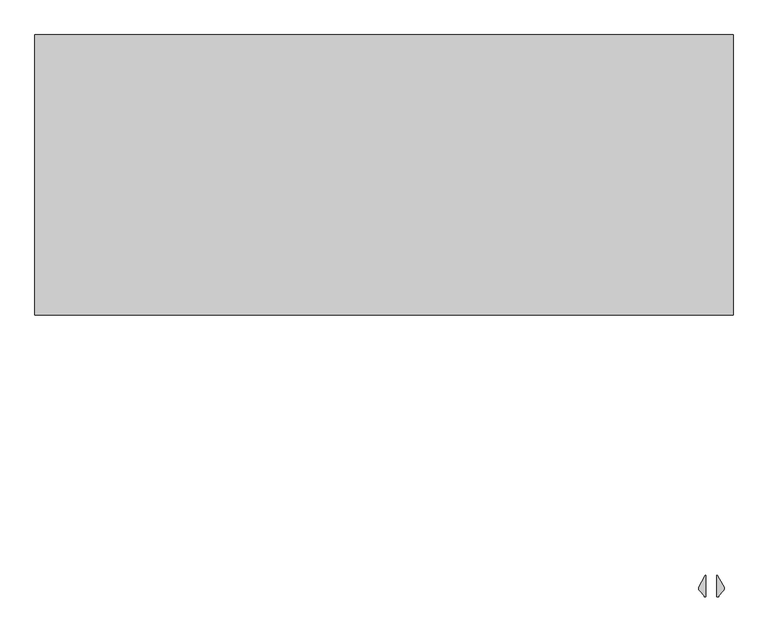
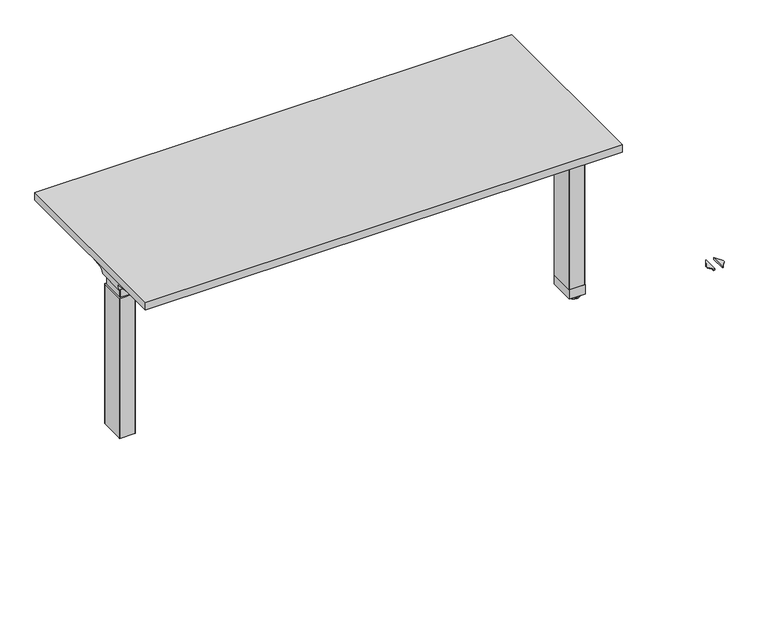
"""IFC4 building model written with IfcOpenShell, lengths in millimetres: furniture geometry."""

from ifc_helpers import new_model, si_unit, point, frame, frame_2d, origin, place, context, project, spatial, polyline, circle_curve, ellipse_curve, trimmed, segment, composite_curve, outline, extrude, source, transform, mapped, element, save
from ifc_brep_helpers import plane_surface, cylinder_surface, revolved_surface, advanced_brep


def furniture_240d868d(model_context):
    return source(origin(), model_context, "Body", "SolidModel", [
        advanced_brep(
        [(-565.7122138, 635.7959426, 645.6121733), (-731.4406297, 635.7959426, 645.6121733), (-728.9518591, 638.024396, 642.9648785), (-580.0924181, 638.024396, 642.9648785), (-554.2501644, 635.6497731, 649.4516191), (-554.1075093, 635.572107, 651.4916821), (-551.4619573, 635.496211, 653.4852485), (-551.4619573, 635.1429301, 662.7649054), (-734.0619089, 635.1429301, 662.7649054), (-731.6625278, 635.7869568, 645.8482054), (-551.4619573, 629.6758947, 668.8045076), (-734.9185362, 629.6758947, 668.8045076), (-551.4619573, 595.9162175, 674.0415321), (-673.2570453, 515.1046903, 686.5775507), (-737.4393767, 515.1046903, 686.5775507), (-737.5128152, 511.3286853, 687.0953243), (-678.9480509, 511.3286853, 687.0953243), (-738.1871296, 509.8184289, 691.8495399), (-677.3404665, 512.395324, 694.0296), (-736.4021288, 512.395324, 694.0296), (-737.5128152, 867.2817403, 687.0953243), (-738.1871296, 868.7919968, 691.8495399), (-736.4021288, 866.2151016, 694.0296), (-677.3404665, 866.2151016, 694.0296), (-678.9480509, 867.2817403, 687.0953243), (-737.4393767, 863.5057353, 686.5775507), (-673.2570453, 863.5057353, 686.5775507), (-551.4619573, 748.9345309, 668.8045076), (-734.9185362, 748.9345309, 668.8045076), (-551.4619573, 782.6942081, 674.0415321), (-551.4619573, 743.4674955, 662.7649054), (-734.0619089, 743.4674955, 662.7649054), (-551.4619573, 743.1142146, 653.4852485), (-554.1075093, 743.0383186, 651.4916821), (-554.2501644, 742.9606525, 649.4516191), (-565.7122138, 742.814483, 645.6121733), (-731.4406297, 742.814483, 645.6121733), (-731.6625278, 742.8234688, 645.8482054), (-580.0924181, 740.5860297, 642.9648785), (-728.9518591, 740.5860297, 642.9648785), (-551.4619573, 595.9162175, 694.0296), (-551.4619573, 782.6942081, 694.0296)],
        [
            (0, 1),
            (1, 2),
            (2, 3),
            (3, 0, ellipse_curve(frame((-589.9936465, 558.7582119, 737.1292722), z_axis=(0.0, -0.7650318638532563, -0.6439924279750598), x_axis=(0.0, 0.64399242797506, -0.7650318638532563)), 123.7641411, 94.6835116)),
            (0, 4, ellipse_curve(frame((-589.9936465, 632.3118442, 737.1292722), z_axis=(0.0, -0.9992761066836392, -0.03804290487315863), x_axis=(0.0, 0.038042904873156216, -0.9992761066836392)), 94.752102, 94.6835116)),
            (4, 5),
            (5, 6),
            (6, 7),
            (7, 8),
            (8, 9),
            (9, 1),
            (7, 10, circle_curve(frame((-551.4619573, 628.6843719, 662.4128075), z_axis=(1.0, 0.0, 0.0), x_axis=(0.0, -1.0000000000000004, 0.0)), 6.4681487)),
            (10, 11),
            (11, 8, ellipse_curve(frame((-734.0119691, 628.6843719, 662.4128075), z_axis=(-0.9900906714849659, 0.0, -0.14042956326375675), x_axis=(0.14042956326375614, 0.0, -0.990090671484966)), 6.5328852, 6.4681487)),
            (10, 12),
            (12, 13),
            (13, 14),
            (14, 11),
            (15, 14),
            (13, 16),
            (16, 15),
            (17, 15, ellipse_curve(frame((-737.9730772, 513.3058017, 690.3403755), z_axis=(0.9900906714849659, 0.0, 0.14042956326375675), x_axis=(-0.14042956326375614, 0.0, 0.990090671484966)), 3.8379455, 3.7999141)),
            (16, 18, ellipse_curve(frame((-675.96824, 513.3058017, 690.3403755), z_axis=(-0.5528743936294878, 0.833264606753957, 0.0), x_axis=(-0.8332646067539569, -0.5528743936294878, 0.0)), 6.8730151, 3.7999141)),
            (18, 19),
            (19, 17, ellipse_curve(frame((-739.422811, 513.3058017, 690.3403755), z_axis=(0.7737284588399557, 0.0, -0.6335173809621544), x_axis=(-0.6335173809621537, 0.0, -0.7737284588399559)), 4.9111727, 3.7999141)),
            (20, 21, ellipse_curve(frame((-737.9730772, 865.3046239, 690.3403755), z_axis=(0.9900906714849659, 0.0, 0.14042956326375675), x_axis=(-0.14042956326375614, 0.0, 0.990090671484966)), 3.8379455, 3.7999141)),
            (21, 22, ellipse_curve(frame((-739.422811, 865.3046239, 690.3403755), z_axis=(0.7737284588399557, 0.0, -0.6335173809621544), x_axis=(-0.6335173809621537, 0.0, -0.7737284588399559)), 4.9111727, 3.7999141)),
            (22, 23),
            (23, 24, ellipse_curve(frame((-675.96824, 865.3046239, 690.3403755), z_axis=(-0.5528743936294774, -0.8332646067539636, 0.0), x_axis=(-0.8332646067539635, 0.5528743936294774, 0.0)), 6.8730151, 3.7999141)),
            (24, 20),
            (25, 20),
            (24, 26),
            (26, 25),
            (27, 28),
            (28, 25),
            (26, 29),
            (29, 27),
            (27, 30, circle_curve(frame((-551.4619573, 749.9260537, 662.4128075), z_axis=(1.0, 0.0, 0.0), x_axis=(0.0, -1.0000000000000004, 0.0)), 6.4681487)),
            (30, 31),
            (31, 28, ellipse_curve(frame((-734.0119691, 749.9260537, 662.4128075), z_axis=(-0.9900906714849659, 0.0, -0.14042956326375675), x_axis=(0.14042956326375614, 0.0, -0.990090671484966)), 6.5328852, 6.4681487)),
            (30, 32),
            (32, 33),
            (33, 34),
            (34, 35, ellipse_curve(frame((-589.9936465, 746.2985814, 737.1292722), z_axis=(0.0, 0.9992761066836363, -0.0380429048732354), x_axis=(0.0, 0.0380429048732312, 0.9992761066836363)), 94.752102, 94.6835116)),
            (35, 36),
            (36, 37),
            (37, 31),
            (35, 38, ellipse_curve(frame((-589.9936465, 819.8522137, 737.1292722), z_axis=(0.0, 0.7650318638534731, -0.6439924279748023), x_axis=(0.0, 0.6439924279748023, 0.765031863853473)), 123.7641411, 94.6835116)),
            (38, 39),
            (39, 36),
            (37, 9),
            (17, 21),
            (19, 22),
            (18, 40),
            (40, 41),
            (41, 23),
            (6, 32),
            (29, 41),
            (40, 12),
            (5, 33),
            (4, 34),
            (3, 38),
            (2, 39),
        ],
        [
            plane_surface(frame((-551.4619573, 638.024396, 642.9648785), z_axis=(0.0, -0.7650318638532563, -0.6439924279750598), x_axis=(-1.0, 0.0, 0.0))),
            plane_surface(frame((-551.4619573, 635.7959426, 645.6121733), z_axis=(0.0, -0.9992761066836392, -0.03804290487315863), x_axis=(-1.0, 0.0, 0.0))),
            revolved_surface(polyline([(-551.4619573, 622.2162232, 662.4128075), (-734.9293793154884, 622.2162232, 662.4128075)]), (-551.4619573, 628.6843719, 662.4128075), (1.0000000000000004, 0.0, 0.0)),
            plane_surface(frame((-551.4619573, 629.6758947, 668.8045076), z_axis=(0.0, -0.15329313587140303, -0.988180760030629), x_axis=(-1.0, 0.0, 0.0))),
            plane_surface(frame((-551.4619573, 515.1046903, 686.5775507), z_axis=(0.0, -0.13585085469008154, -0.9907292996979419), x_axis=(-1.0, 0.0, 0.0))),
            cylinder_surface(frame((-551.4619573, 513.3058017, 690.3403755), z_axis=(-1.0000000000000004, 0.0, 0.0), x_axis=(0.0, -1.0000000000000004, 0.0)), 3.7999141),
            cylinder_surface(frame((-551.4619573, 865.3046239, 690.3403755), z_axis=(-1.0000000000000004, 0.0, 0.0), x_axis=(0.0, -1.0000000000000004, 0.0)), 3.7999141),
            plane_surface(frame((-551.4619573, 867.2817403, 687.0953243), z_axis=(0.0, 0.13585085468777755, -0.9907292996982578), x_axis=(-1.0, 0.0, 0.0))),
            plane_surface(frame((-551.4619573, 863.5057353, 686.5775507), z_axis=(0.0, 0.15329313587141108, -0.9881807600306277), x_axis=(-1.0, 0.0, 0.0))),
            revolved_surface(polyline([(-551.4619573, 743.457905, 662.4128075), (-734.9293793154884, 743.457905, 662.4128075)]), (-551.4619573, 749.9260537, 662.4128075), (1.0000000000000004, 0.0, 0.0)),
            plane_surface(frame((-551.4619573, 743.4674955, 662.7649054), z_axis=(0.0, 0.9992761066836363, -0.0380429048732354), x_axis=(-1.0, 0.0, 0.0))),
            plane_surface(frame((-551.4619573, 742.814483, 645.6121733), z_axis=(0.0, 0.7650318638534731, -0.6439924279748023), x_axis=(-1.0, 0.0, 0.0))),
            plane_surface(frame((-731.6625278, 879.8052128, 645.8482054), z_axis=(-0.9900906714849659, 0.0, -0.14042956326375675), x_axis=(0.0, -1.0, 0.0))),
            plane_surface(frame((-738.1871296, 879.8052128, 691.8495399), z_axis=(-0.7737284588399554, 0.0, 0.6335173809621543), x_axis=(0.0, -1.0, 0.0))),
            plane_surface(frame((-736.4021288, 879.8052128, 694.0296), z_axis=(0.0, 0.0, 1.0), x_axis=(0.0, -1.0, 0.0))),
            plane_surface(frame((-551.4619573, 879.8052128, 694.0296), z_axis=(1.0, 0.0, 0.0), x_axis=(0.0, -1.0, 0.0))),
            plane_surface(frame((-551.4619573, 879.8052128, 653.4852485), z_axis=(0.6018150231540726, 0.0, -0.7986355100457675), x_axis=(0.0, -1.0, 0.0))),
            plane_surface(frame((-554.1075093, 879.8052128, 651.4916821), z_axis=(0.9975640502598242, 0.0, -0.069756473744127), x_axis=(0.0, -1.0, 0.0))),
            cylinder_surface(frame((-589.9936465, 879.8052128, 737.1292722), z_axis=(0.0, 1.0000000000000004, 0.0), x_axis=(1.0000000000000004, 0.0, 0.0)), 94.6835116),
            plane_surface(frame((-580.0924181, 879.8052128, 642.9648785), z_axis=(0.0, 0.0, -1.0), x_axis=(0.0, -1.0, 0.0))),
            plane_surface(frame((-728.9518591, 879.8052128, 642.9648785), z_axis=(-0.7285846064222695, 0.0, -0.6849558170309287), x_axis=(0.0, -1.0, 0.0))),
            plane_surface(frame((-551.4619573, 595.9162175, 694.0296), z_axis=(0.5528743936294878, -0.833264606753957, 0.0), x_axis=(0.0, 0.0, -1.0))),
            plane_surface(frame((-697.8228017, 879.8052128, 694.0296), z_axis=(0.5528743936294774, 0.8332646067539636, 0.0), x_axis=(0.0, 0.0, -1.0))),
        ],
        [
            (0, [[1, 2, 3, 4]]),
            (1, [[-1, 5, 6, 7, 8, 9, 10, 11]]),
            (2, [[-9, 12, 13, 14]]),
            (3, [[-13, 15, 16, 17, 18]]),
            (4, [[19, -17, 20, 21]]),
            (5, [[22, -21, 23, 24, 25]]),
            (6, [[26, 27, 28, 29, 30]]),
            (7, [[31, -30, 32, 33]]),
            (8, [[34, 35, -33, 36, 37]]),
            (9, [[-34, 38, 39, 40]]),
            (10, [[-39, 41, 42, 43, 44, 45, 46, 47]]),
            (11, [[-45, 48, 49, 50]]),
            (12, [[51, -10, -14, -18, -19, -22, 52, -26, -31, -35, -40, -47]]),
            (13, [[-52, -25, 53, -27]]),
            (14, [[-53, -24, 54, 55, 56, -28]]),
            (15, [[57, -41, -38, -37, 58, -55, 59, -15, -12, -8]]),
            (16, [[-57, -7, 60, -42]]),
            (17, [[-60, -6, 61, -43]]),
            (18, [[-61, -5, -4, 62, -48, -44]]),
            (19, [[-62, -3, 63, -49]]),
            (20, [[-51, -46, -50, -63, -2, -11]]),
            (21, [[-54, -23, -20, -16, -59]]),
            (22, [[-56, -58, -36, -32, -29]]),
        ],
    ),
        advanced_brep(
        [(856.0773962, 610.6220432, 688.8000894), (856.0773962, 608.8576886, 691.0281511), (856.0773962, 597.8770903, 691.0281511), (856.0773962, 597.1469209, 688.4299085), (856.0773962, 618.573302, 658.8668148), (856.0773962, 635.9741214, 650.2658863), (856.0773962, 742.7619972, 650.2658863), (856.0773962, 760.3897911, 659.3203482), (856.0773962, 781.724499, 689.0912054), (856.0773962, 780.0859362, 691.1472572), (856.0773962, 769.870803, 691.1472572), (856.0773962, 767.999828, 688.8000894), (856.0773962, 768.7410491, 688.2629822), (856.0773962, 770.3112765, 690.2328572), (856.0773962, 779.989889, 690.2328572), (856.0773962, 780.7957777, 689.3650366), (856.0773962, 759.6465384, 659.8529858), (856.0773962, 742.7619972, 651.1804536), (856.0773962, 635.9741214, 651.1802863), (856.0773962, 619.3067728, 659.4129713), (856.0773962, 597.9530501, 688.8758144), (856.0773962, 598.2103186, 690.1137511), (856.0773962, 608.4154038, 690.1137511), (856.0773962, 609.8809409, 688.2630419), (-551.4619573, 610.6220432, 688.8000894), (-551.4619573, 609.8809409, 688.2630419), (-551.4619573, 608.4154038, 690.1137511), (-551.4619573, 598.2103186, 690.1137511), (-551.4619573, 597.9530501, 688.8758144), (-551.4619573, 619.3067728, 659.4129713), (-551.4619573, 635.9741214, 651.1802863), (-551.4619573, 742.7619973, 651.1802863), (-551.4619573, 759.6465384, 659.8529858), (-551.4619573, 780.7957777, 689.3650366), (-551.4619573, 779.989889, 690.2328572), (-551.4619573, 770.3112765, 690.2328572), (-551.4619573, 768.7410491, 688.2629822), (-551.4619573, 767.999828, 688.8000894), (-551.4619573, 769.870803, 691.1472572), (-551.4619573, 780.0859362, 691.1472572), (-551.4619573, 781.724499, 689.0912054), (-551.4619573, 760.3897911, 659.3203482), (-551.4619573, 742.7619972, 650.2660536), (-551.4619573, 635.9741214, 650.2658863), (-551.4619573, 618.573302, 658.8668148), (-551.4619573, 597.1469209, 688.4299085), (-551.4619573, 597.8770903, 691.0281511), (-551.4619573, 608.8576886, 691.0281511)],
        [
            (0, 1),
            (1, 2),
            (2, 3, circle_curve(frame((856.0773962, 599.0946552, 689.2842667), z_axis=(1.0, 0.0, 0.0), x_axis=(0.0, -1.0000000000000004, 0.0)), 2.1268749)),
            (3, 4),
            (4, 5, circle_curve(frame((856.0773962, 635.9741214, 672.1684336), z_axis=(1.0, 0.0, 0.0), x_axis=(0.0, -1.0000000000000004, 0.0)), 21.9025472)),
            (5, 6),
            (6, 7, circle_curve(frame((856.0773962, 742.7619972, 671.952965), z_axis=(1.0, 0.0, 0.0), x_axis=(0.0, -1.0000000000000004, 0.0)), 21.6869114)),
            (7, 8),
            (8, 9, circle_curve(frame((856.0773962, 779.7241493, 689.1779833), z_axis=(1.0, 0.0, 0.0), x_axis=(0.0, -1.0000000000000004, 0.0)), 2.0022311)),
            (9, 10),
            (10, 11),
            (11, 12),
            (12, 13),
            (13, 14),
            (14, 15, circle_curve(frame((856.0773962, 779.7241493, 689.1779833), z_axis=(-1.0, 0.0, 0.0), x_axis=(0.0, -1.0000000000000004, 0.0)), 1.0878311)),
            (15, 16),
            (16, 17, circle_curve(frame((856.0773962, 742.7619972, 671.952965), z_axis=(-1.0, 0.0, 0.0), x_axis=(0.0, -1.0000000000000004, 0.0)), 20.7725114)),
            (17, 18),
            (18, 19, circle_curve(frame((856.0773962, 635.9741214, 672.1684336), z_axis=(-1.0, 0.0, 0.0), x_axis=(0.0, -1.0000000000000004, 0.0)), 20.9881473)),
            (19, 20),
            (20, 21, circle_curve(frame((856.0773962, 599.0946552, 689.2842667), z_axis=(-1.0, 0.0, 0.0), x_axis=(0.0, -1.0000000000000004, 0.0)), 1.2124749)),
            (21, 22),
            (22, 23),
            (23, 0),
            (24, 25),
            (25, 26),
            (26, 27),
            (27, 28, circle_curve(frame((-551.4619573, 599.0946552, 689.2842667), z_axis=(1.0, 0.0, 0.0), x_axis=(0.0, -1.0000000000000004, 0.0)), 1.2124749)),
            (28, 29),
            (29, 30, circle_curve(frame((-551.4619573, 635.9741214, 672.1684336), z_axis=(1.0, 0.0, 0.0), x_axis=(0.0, -1.0000000000000004, 0.0)), 20.9881473)),
            (30, 31),
            (31, 32, circle_curve(frame((-551.4619573, 742.7619972, 671.952965), z_axis=(1.0, 0.0, 0.0), x_axis=(0.0, -1.0000000000000004, 0.0)), 20.7725114)),
            (32, 33),
            (33, 34, circle_curve(frame((-551.4619573, 779.7241493, 689.1779833), z_axis=(1.0, 0.0, 0.0), x_axis=(0.0, -1.0000000000000004, 0.0)), 1.0878311)),
            (34, 35),
            (35, 36),
            (36, 37),
            (37, 38),
            (38, 39),
            (39, 40, circle_curve(frame((-551.4619573, 779.7241493, 689.1779833), z_axis=(-1.0, 0.0, 0.0), x_axis=(0.0, -1.0000000000000004, 0.0)), 2.0022311)),
            (40, 41),
            (41, 42, circle_curve(frame((-551.4619573, 742.7619972, 671.952965), z_axis=(-1.0, 0.0, 0.0), x_axis=(0.0, -1.0000000000000004, 0.0)), 21.6869114)),
            (42, 43),
            (43, 44, circle_curve(frame((-551.4619573, 635.9741214, 672.1684336), z_axis=(-1.0, 0.0, 0.0), x_axis=(0.0, -1.0000000000000004, 0.0)), 21.9025472)),
            (44, 45),
            (45, 46, circle_curve(frame((-551.4619573, 599.0946552, 689.2842667), z_axis=(-1.0, 0.0, 0.0), x_axis=(0.0, -1.0000000000000004, 0.0)), 2.1268749)),
            (46, 47),
            (47, 24),
            (0, 24),
            (47, 1),
            (46, 2),
            (45, 3),
            (44, 4),
            (43, 5),
            (42, 6),
            (41, 7),
            (40, 8),
            (39, 9),
            (38, 10),
            (37, 11),
            (36, 12),
            (35, 13),
            (34, 14),
            (33, 15),
            (32, 16),
            (31, 17),
            (30, 18),
            (29, 19),
            (28, 20),
            (27, 21),
            (26, 22),
            (25, 23),
        ],
        [
            plane_surface(frame((856.0773962, 689.3052128, 694.0296), z_axis=(1.0, 0.0, 0.0), x_axis=(0.0, 0.0, 1.0))),
            plane_surface(frame((-551.4619573, 689.3052128, 694.0296), z_axis=(-1.0, 0.0, 0.0), x_axis=(0.0, 0.0, 1.0))),
            plane_surface(frame((856.0773962, 610.6220432, 688.8000894), z_axis=(0.0, 0.7839649337165056, 0.6208051084703435), x_axis=(-1.0, 0.0, 0.0))),
            plane_surface(frame((856.0773962, 608.8576886, 691.0281511), z_axis=(0.0, 0.0, 1.0), x_axis=(-1.0, 0.0, 0.0))),
            cylinder_surface(frame((856.0773962, 599.0946552, 689.2842667), z_axis=(1.0000000000000004, 0.0, 0.0), x_axis=(0.0, -1.0000000000000004, 0.0)), 2.1268749),
            plane_surface(frame((856.0773962, 597.1469209, 688.4299085), z_axis=(0.0, -0.8096997445281036, -0.5868443777622171), x_axis=(-1.0, 0.0, 0.0))),
            cylinder_surface(frame((856.0773962, 635.9741214, 672.1684336), z_axis=(1.0000000000000004, 0.0, 0.0), x_axis=(0.0, -1.0000000000000004, 0.0)), 21.9025472),
            plane_surface(frame((856.0773962, 635.9741214, 650.2658863), z_axis=(0.0, 0.0, -1.0), x_axis=(-1.0, 0.0, 0.0))),
            cylinder_surface(frame((856.0773962, 742.7619972, 671.952965), z_axis=(1.0000000000000004, 0.0, 0.0), x_axis=(0.0, -1.0000000000000004, 0.0)), 21.6869114),
            plane_surface(frame((856.0773962, 760.3897911, 659.3203482), z_axis=(0.0, 0.8128309997561537, -0.5824995844079307), x_axis=(-1.0, 0.0, 0.0))),
            cylinder_surface(frame((856.0773962, 779.7241493, 689.1779833), z_axis=(1.0000000000000004, 0.0, 0.0), x_axis=(0.0, -1.0000000000000004, 0.0)), 2.0022311),
            plane_surface(frame((856.0773962, 780.0859362, 691.1472572), z_axis=(0.0, 0.0, 1.0), x_axis=(-1.0, 0.0, 0.0))),
            plane_surface(frame((856.0773962, 769.870803, 691.1472572), z_axis=(0.0, -0.781966058723797, 0.6233210112004658), x_axis=(-1.0, 0.0, 0.0))),
            plane_surface(frame((856.0773962, 767.999828, 688.8000894), z_axis=(0.0, -0.5867684336468094, -0.8097547809526473), x_axis=(-1.0, 0.0, 0.0))),
            plane_surface(frame((856.0773962, 768.7410491, 688.2629822), z_axis=(0.0, 0.7819660587239203, -0.623321011200311), x_axis=(-1.0, 0.0, 0.0))),
            plane_surface(frame((856.0773962, 770.3112765, 690.2328572), z_axis=(0.0, 0.0, -1.0), x_axis=(-1.0, 0.0, 0.0))),
            revolved_surface(polyline([(-551.4619573000012, 778.6363182, 689.1779833), (856.0773962, 778.6363182, 689.1779833)]), (856.0773962, 779.7241493, 689.1779833), (-1.0000000000000004, 0.0, 0.0)),
            plane_surface(frame((856.0773962, 780.7957777, 689.3650366), z_axis=(0.0, -0.8128309996716102, 0.5824995845259042), x_axis=(-1.0, 0.0, 0.0))),
            revolved_surface(polyline([(-551.4619573000012, 721.9894858, 671.952965), (856.0773962, 721.9894858, 671.952965)]), (856.0773962, 742.7619972, 671.952965), (-1.0000000000000004, 0.0, 0.0)),
            plane_surface(frame((856.0773962, 742.7619973, 651.1802863), z_axis=(0.0, 0.0, 1.0), x_axis=(-1.0, 0.0, 0.0))),
            revolved_surface(polyline([(-551.4619573000012, 614.9859740999999, 672.1684336), (856.0773962, 614.9859740999999, 672.1684336)]), (856.0773962, 635.9741214, 672.1684336), (-1.0000000000000004, 0.0, 0.0)),
            plane_surface(frame((856.0773962, 619.3067728, 659.4129713), z_axis=(0.0, 0.8096997449536105, 0.5868443771751229), x_axis=(-1.0, 0.0, 0.0))),
            revolved_surface(polyline([(-551.4619573000012, 597.8821803000001, 689.2842667), (856.0773962, 597.8821803000001, 689.2842667)]), (856.0773962, 599.0946552, 689.2842667), (-1.0000000000000004, 0.0, 0.0)),
            plane_surface(frame((856.0773962, 598.2103186, 690.1137511), z_axis=(0.0, 0.0, -1.0), x_axis=(-1.0, 0.0, 0.0))),
            plane_surface(frame((856.0773962, 608.4154038, 690.1137511), z_axis=(0.0, -0.7839649337164977, -0.6208051084703534), x_axis=(-1.0, 0.0, 0.0))),
            plane_surface(frame((856.0773962, 609.8809409, 688.2630419), z_axis=(0.0, 0.5867873637752552, -0.8097410633737715), x_axis=(-1.0, 0.0, 0.0))),
        ],
        [
            (0, [[1, 2, 3, 4, 5, 6, 7, 8, 9, 10, 11, 12, 13, 14, 15, 16, 17, 18, 19, 20, 21, 22, 23, 24]]),
            (1, [[25, 26, 27, 28, 29, 30, 31, 32, 33, 34, 35, 36, 37, 38, 39, 40, 41, 42, 43, 44, 45, 46, 47, 48]]),
            (2, [[-1, 49, -48, 50]]),
            (3, [[-2, -50, -47, 51]]),
            (4, [[-3, -51, -46, 52]]),
            (5, [[-4, -52, -45, 53]]),
            (6, [[-5, -53, -44, 54]]),
            (7, [[-6, -54, -43, 55]]),
            (8, [[-7, -55, -42, 56]]),
            (9, [[-8, -56, -41, 57]]),
            (10, [[-9, -57, -40, 58]]),
            (11, [[-10, -58, -39, 59]]),
            (12, [[-11, -59, -38, 60]]),
            (13, [[-12, -60, -37, 61]]),
            (14, [[-13, -61, -36, 62]]),
            (15, [[-14, -62, -35, 63]]),
            (16, [[-15, -63, -34, 64]]),
            (17, [[-16, -64, -33, 65]]),
            (18, [[-17, -65, -32, 66]]),
            (19, [[-18, -66, -31, 67]]),
            (20, [[-19, -67, -30, 68]]),
            (21, [[-20, -68, -29, 69]]),
            (22, [[-21, -69, -28, 70]]),
            (23, [[-22, -70, -27, 71]]),
            (24, [[-23, -71, -26, 72]]),
            (25, [[-24, -72, -25, -49]]),
        ],
    ),
        advanced_brep(
        [(-675.0283088, 644.5569631, 642.9648785), (-672.2624028, 646.9102017, 642.9648785), (-672.2624028, 731.683827, 642.9648785), (-675.3159671, 734.0332258, 642.9648785), (-718.6299922, 734.0534625, 642.9648785), (-721.6895972, 731.6837192, 642.9648785), (-721.6895972, 646.9101172, 642.9648785), (-718.9236912, 644.5569631, 642.9648785), (-675.0283088, 644.5569631, 606.552), (-718.9236912, 644.5569631, 606.552), (-721.6895972, 646.9101172, 606.552), (-721.6895972, 731.6837192, 606.552), (-718.6360098, 734.0332205, 606.552), (-675.3220078, 734.0534625, 606.552), (-672.2624028, 731.683827, 606.552), (-672.2624028, 646.9102017, 606.552)],
        [
            (0, 1, circle_curve(frame((-675.3300788, 647.7137409, 642.9648785), z_axis=(0.0, 0.0, 1.0), x_axis=(-1.0000000000000004, 0.0, 0.0)), 3.1711688)),
            (1, 2),
            (2, 3, circle_curve(frame((-675.3159671, 730.8741348, 642.9648785), z_axis=(0.0, 0.0, 1.0), x_axis=(-1.0000000000000004, 0.0, 0.0)), 3.1590911)),
            (3, 4),
            (4, 5, circle_curve(frame((-718.6360098, 730.8741348, 642.9648785), z_axis=(0.0, 0.0, 1.0), x_axis=(-1.0000000000000004, 0.0, 0.0)), 3.1590858)),
            (5, 6),
            (6, 7, circle_curve(frame((-718.6219439, 647.7137431, 642.9648785), z_axis=(0.0, 0.0, 1.0), x_axis=(-1.0000000000000004, 0.0, 0.0)), 3.1711687)),
            (7, 0),
            (8, 9),
            (9, 10, circle_curve(frame((-718.6219439, 647.7137431, 606.552), z_axis=(0.0, 0.0, -1.0), x_axis=(-1.0000000000000004, 0.0, 0.0)), 3.1711687)),
            (10, 11),
            (11, 12, circle_curve(frame((-718.6360098, 730.8741348, 606.552), z_axis=(0.0, 0.0, -1.0), x_axis=(-1.0000000000000004, 0.0, 0.0)), 3.1590858)),
            (12, 13),
            (13, 14, circle_curve(frame((-675.3159671, 730.8741348, 606.552), z_axis=(0.0, 0.0, -1.0), x_axis=(-1.0000000000000004, 0.0, 0.0)), 3.1590911)),
            (14, 15),
            (15, 8, circle_curve(frame((-675.3300788, 647.7137409, 606.552), z_axis=(0.0, 0.0, -1.0), x_axis=(-1.0000000000000004, 0.0, 0.0)), 3.1711688)),
            (7, 9),
            (8, 0),
            (6, 10),
            (5, 11),
            (4, 12),
            (3, 13),
            (2, 14),
            (1, 15),
        ],
        [
            plane_surface(frame((-678.5012476, 647.7137409, 642.9648785), z_axis=(0.0, 0.0, 1.0), x_axis=(0.0, -1.0, 0.0))),
            plane_surface(frame((-678.5012476, 647.7137409, 606.552), z_axis=(0.0, 0.0, -1.0), x_axis=(0.0, 1.0, 0.0))),
            plane_surface(frame((-718.9236912, 644.5569631, 642.9648785), z_axis=(0.0, -1.0, 0.0), x_axis=(0.0, 0.0, -1.0))),
            cylinder_surface(frame((-718.6219439, 647.7137431, 606.552), z_axis=(0.0, 0.0, 1.0), x_axis=(-1.0000000000000004, 0.0, 0.0)), 3.1711687),
            plane_surface(frame((-721.6895972, 731.6837192, 642.9648785), z_axis=(-1.0, 0.0, 0.0), x_axis=(0.0, 0.0, -1.0))),
            cylinder_surface(frame((-718.6360098, 730.8741348, 606.552), z_axis=(0.0, 0.0, 1.0), x_axis=(-1.0000000000000004, 0.0, 0.0)), 3.1590858),
            plane_surface(frame((-675.3220078, 734.0534625, 642.9648785), z_axis=(0.0, 1.0, 0.0), x_axis=(0.0, 0.0, -1.0))),
            cylinder_surface(frame((-675.3159671, 730.8741348, 606.552), z_axis=(0.0, 0.0, 1.0), x_axis=(-1.0000000000000004, 0.0, 0.0)), 3.1590911),
            plane_surface(frame((-672.2624028, 646.9102017, 642.9648785), z_axis=(1.0, 0.0, 0.0), x_axis=(0.0, 0.0, -1.0))),
            cylinder_surface(frame((-675.3300788, 647.7137409, 606.552), z_axis=(0.0, 0.0, 1.0), x_axis=(-1.0000000000000004, 0.0, 0.0)), 3.1711688),
        ],
        [
            (0, [[1, 2, 3, 4, 5, 6, 7, 8]]),
            (1, [[9, 10, 11, 12, 13, 14, 15, 16]]),
            (2, [[-8, 17, -9, 18]]),
            (3, [[-7, 19, -10, -17]]),
            (4, [[-6, 20, -11, -19]]),
            (5, [[-5, 21, -12, -20]]),
            (6, [[-4, 22, -13, -21]]),
            (7, [[-3, 23, -14, -22]]),
            (8, [[-2, 24, -15, -23]]),
            (9, [[-1, -18, -16, -24]]),
        ],
    ),
        advanced_brep(
        [(979.8283088, 644.5569631, 642.9648785), (1023.7236912, 644.5569631, 642.9648785), (1026.4806448, 646.8766887, 642.9648785), (1026.4806448, 731.716762, 642.9648785), (1023.4360098, 734.0332205, 642.9648785), (980.1220078, 734.0534625, 642.9648785), (977.0713552, 731.7168653, 642.9648785), (977.0713552, 646.8767695, 642.9648785), (979.8283088, 644.5569631, 606.552), (977.0713552, 646.8767695, 606.552), (977.0713552, 731.7168653, 606.552), (980.1159671, 734.0332258, 606.552), (1023.4299922, 734.0534625, 606.552), (1026.4806448, 731.716762, 606.552), (1026.4806448, 646.8766887, 606.552), (1023.7236912, 644.5569631, 606.552)],
        [
            (0, 1),
            (1, 2, circle_curve(frame((1023.4219439, 647.7137431, 642.9648785), z_axis=(0.0, 0.0, 1.0), x_axis=(1.0000000000000004, 0.0, 0.0)), 3.1711687)),
            (2, 3),
            (3, 4, circle_curve(frame((1023.4360098, 730.8741348, 642.9648785), z_axis=(0.0, 0.0, 1.0), x_axis=(1.0000000000000004, 0.0, 0.0)), 3.1590858)),
            (4, 5),
            (5, 6, circle_curve(frame((980.1159671, 730.8741348, 642.9648785), z_axis=(0.0, 0.0, 1.0), x_axis=(1.0000000000000004, 0.0, 0.0)), 3.1590911)),
            (6, 7),
            (7, 0, circle_curve(frame((980.1300788, 647.7137409, 642.9648785), z_axis=(0.0, 0.0, 1.0), x_axis=(1.0000000000000004, 0.0, 0.0)), 3.1711688)),
            (8, 9, circle_curve(frame((980.1300788, 647.7137409, 606.552), z_axis=(0.0, 0.0, -1.0), x_axis=(1.0000000000000004, 0.0, 0.0)), 3.1711688)),
            (9, 10),
            (10, 11, circle_curve(frame((980.1159671, 730.8741348, 606.552), z_axis=(0.0, 0.0, -1.0), x_axis=(1.0000000000000004, 0.0, 0.0)), 3.1590911)),
            (11, 12),
            (12, 13, circle_curve(frame((1023.4360098, 730.8741348, 606.552), z_axis=(0.0, 0.0, -1.0), x_axis=(1.0000000000000004, 0.0, 0.0)), 3.1590858)),
            (13, 14),
            (14, 15, circle_curve(frame((1023.4219439, 647.7137431, 606.552), z_axis=(0.0, 0.0, -1.0), x_axis=(1.0000000000000004, 0.0, 0.0)), 3.1711687)),
            (15, 8),
            (0, 8),
            (15, 1),
            (14, 2),
            (13, 3),
            (12, 4),
            (11, 5),
            (10, 6),
            (9, 7),
        ],
        [
            plane_surface(frame((1023.7236912, 644.5569631, 642.9648785), z_axis=(0.0, 0.0, 1.0), x_axis=(1.0, 0.0, 0.0))),
            plane_surface(frame((1023.7236912, 644.5569631, 606.552), z_axis=(0.0, 0.0, -1.0), x_axis=(-1.0, 0.0, 0.0))),
            plane_surface(frame((979.8283088, 644.5569631, 642.9648785), z_axis=(0.0, -1.0, 0.0), x_axis=(0.0, 0.0, -1.0))),
            cylinder_surface(frame((1023.4219439, 647.7137431, 606.552), z_axis=(0.0, 0.0, 1.0), x_axis=(1.0000000000000004, 0.0, 0.0)), 3.1711687),
            plane_surface(frame((1026.4806448, 646.8766887, 642.9648785), z_axis=(1.0, 0.0, 0.0), x_axis=(0.0, 0.0, -1.0))),
            cylinder_surface(frame((1023.4360098, 730.8741348, 606.552), z_axis=(0.0, 0.0, 1.0), x_axis=(1.0000000000000004, 0.0, 0.0)), 3.1590858),
            plane_surface(frame((1023.4299922, 734.0534625, 642.9648785), z_axis=(0.0, 1.0, 0.0), x_axis=(0.0, 0.0, -1.0))),
            cylinder_surface(frame((980.1159671, 730.8741348, 606.552), z_axis=(0.0, 0.0, 1.0), x_axis=(1.0000000000000004, 0.0, 0.0)), 3.1590911),
            plane_surface(frame((977.0713552, 731.7168653, 642.9648785), z_axis=(-1.0, -1.1057025168428881e-12, 0.0), x_axis=(0.0, 0.0, -1.0))),
            cylinder_surface(frame((980.1300788, 647.7137409, 606.552), z_axis=(0.0, 0.0, 1.0), x_axis=(1.0000000000000004, 0.0, 0.0)), 3.1711688),
        ],
        [
            (0, [[1, 2, 3, 4, 5, 6, 7, 8]]),
            (1, [[9, 10, 11, 12, 13, 14, 15, 16]]),
            (2, [[-1, 17, -16, 18]]),
            (3, [[-2, -18, -15, 19]]),
            (4, [[-3, -19, -14, 20]]),
            (5, [[-4, -20, -13, 21]]),
            (6, [[-5, -21, -12, 22]]),
            (7, [[-6, -22, -11, 23]]),
            (8, [[-7, -23, -10, 24]]),
            (9, [[-8, -24, -9, -17]]),
        ],
    ),
        extrude(outline(composite_curve([segment(trimmed(circle_curve(frame_2d((974.116092, 641.5793048)), 2.248592), [point((974.116092, 639.3307128))], [point((971.8675, 641.5793048))], False, "CARTESIAN"), True, "CONTINUOUS"), segment(polyline([(971.8675, 641.5793048), (971.8675, 737.0310659)]), True, "CONTINUOUS"), segment(trimmed(circle_curve(frame_2d((974.1161469, 737.0310659)), 2.2486469), [point((971.8675, 737.0310659))], [point((974.1161469, 739.2797128))], False, "CARTESIAN"), True, "CONTINUOUS"), segment(polyline([(974.1161469, 739.2797128), (1029.435908, 739.2797128)]), True, "CONTINUOUS"), segment(trimmed(circle_curve(frame_2d((1029.435908, 737.0311208)), 2.248592), [point((1029.435908, 739.2797128))], [point((1031.6845, 737.0311208))], False, "CARTESIAN"), True, "CONTINUOUS"), segment(polyline([(1031.6845, 737.0311208), (1031.6845, 641.5793048)]), True, "CONTINUOUS"), segment(trimmed(circle_curve(frame_2d((1029.435908, 641.5793048)), 2.248592), [point((1031.6845, 641.5793048))], [point((1029.435908, 639.3307128))], False, "CARTESIAN"), True, "CONTINUOUS"), segment(polyline([(1029.435908, 639.3307128), (974.116092, 639.3307128)]), True, "CONTINUOUS")], self_intersect=False)), frame((0.0, 0.0, 48.1000573), z_axis=(0.0, 0.0, 1.0), x_axis=(1.0, 0.0, 0.0)), (0.0, 0.0, 1.0), 558.4519427),
        advanced_brep(
        [(1001.776, 671.3030475, 10.2361894), (1001.776, 657.2832975, 10.2361894), (1001.776, 657.6704727, 8.7946116), (1001.776, 670.9158723, 8.7946116), (1001.776, 664.2931725, 10.2361894), (1001.776, 685.2500609, 0.0), (1001.776, 643.3362842, 0.0), (1001.776, 664.2931725, 0.0), (1001.776, 686.7937912, 1.5436985), (1001.776, 641.7925538, 1.5436985), (1001.776, 686.7937365, 4.1072626), (1001.776, 641.7926085, 4.1072626), (1001.776, 685.2538961, 5.9174378), (1001.776, 643.3324489, 5.9174378)],
        [
            (0, 1, circle_curve(frame((1001.776, 664.2931725, 10.2361894), z_axis=(0.0, 0.0, -1.0), x_axis=(0.0, -1.0000000000000004, 0.0)), 7.009875)),
            (1, 2),
            (2, 3, circle_curve(frame((1001.776, 664.2931725, 8.7946116), z_axis=(0.0, 0.0, 1.0), x_axis=(0.0, -1.0000000000000004, 0.0)), 6.6226998)),
            (3, 0),
            (1, 0, circle_curve(frame((1001.776, 664.2931725, 10.2361894), z_axis=(0.0, 0.0, -1.0), x_axis=(0.0, -1.0000000000000004, 0.0)), 7.009875)),
            (3, 2, circle_curve(frame((1001.776, 664.2931725, 8.7946116), z_axis=(0.0, 0.0, 1.0), x_axis=(0.0, -1.0000000000000004, 0.0)), 6.6226998)),
            (4, 1),
            (0, 4),
            (5, 6, circle_curve(frame((1001.776, 664.2931725, 0.0), z_axis=(0.0, 0.0, -1.0), x_axis=(0.0, -1.0000000000000004, 0.0)), 20.9568884)),
            (6, 7),
            (7, 5),
            (6, 5, circle_curve(frame((1001.776, 664.2931725, 0.0), z_axis=(0.0, 0.0, -1.0), x_axis=(0.0, -1.0000000000000004, 0.0)), 20.9568884)),
            (8, 9, circle_curve(frame((1001.776, 664.2931725, 1.5436985), z_axis=(0.0, 0.0, -1.0), x_axis=(0.0, -1.0000000000000004, 0.0)), 22.5006187)),
            (9, 6),
            (5, 8),
            (9, 8, circle_curve(frame((1001.776, 664.2931725, 1.5436985), z_axis=(0.0, 0.0, -1.0), x_axis=(0.0, -1.0000000000000004, 0.0)), 22.5006187)),
            (10, 11, circle_curve(frame((1001.776, 664.2931725, 4.1072626), z_axis=(0.0, 0.0, -1.0), x_axis=(0.0, -1.0000000000000004, 0.0)), 22.500564)),
            (11, 9),
            (8, 10),
            (11, 10, circle_curve(frame((1001.776, 664.2931725, 4.1072626), z_axis=(0.0, 0.0, -1.0), x_axis=(0.0, -1.0000000000000004, 0.0)), 22.500564)),
            (12, 13, circle_curve(frame((1001.776, 664.2931725, 5.9174378), z_axis=(0.0, 0.0, -1.0), x_axis=(0.0, -1.0000000000000004, 0.0)), 20.9607236)),
            (13, 11),
            (10, 12),
            (13, 12, circle_curve(frame((1001.776, 664.2931725, 5.9174378), z_axis=(0.0, 0.0, -1.0), x_axis=(0.0, -1.0000000000000004, 0.0)), 20.9607236)),
            (2, 13),
            (12, 3),
        ],
        [
            revolved_surface(polyline([(1001.776, 657.6704727, 8.7946116), (1001.776, 657.2832975, 10.2361894)]), (1001.776, 664.2931725, 0.0), (0.0, 0.0, 1.0)),
            plane_surface(frame((1001.776, 664.2931725, 10.2361894), z_axis=(0.0, 0.0, 1.0), x_axis=(0.0, -1.0, 0.0))),
            plane_surface(frame((1001.776, 664.2931725, 0.0), z_axis=(0.0, 0.0, -1.0), x_axis=(0.0, -1.0, 0.0))),
            revolved_surface(polyline([(1001.776, 643.3362842, 0.0), (1001.776, 641.7925538, 1.5436985)]), (1001.776, 664.2931725, 0.0), (0.0, 0.0, 1.0)),
            cylinder_surface(frame((1001.776, 664.2931725, 0.0), z_axis=(0.0, 0.0, 1.0), x_axis=(0.0, -1.0000000000000004, 0.0)), 22.500564),
            revolved_surface(polyline([(1001.776, 641.792463, 4.1072626), (1001.776, 643.3324489, 5.9174378)]), (1001.776, 664.2931725, 0.0), (0.0, 0.0, 1.0)),
            revolved_surface(polyline([(1001.776, 643.3324489, 5.9174378), (1001.776, 657.6704727, 8.7946116)]), (1001.776, 664.2931725, 0.0), (0.0, 0.0, 1.0)),
        ],
        [
            (0, [[1, 2, 3, 4]]),
            (0, [[5, -4, 6, -2]]),
            (1, [[7, -1, 8]]),
            (1, [[-8, -5, -7]]),
            (2, [[9, 10, 11]]),
            (2, [[12, -11, -10]]),
            (3, [[13, 14, -9, 15]]),
            (3, [[16, -15, -12, -14]]),
            (4, [[17, 18, -13, 19]]),
            (4, [[20, -19, -16, -18]]),
            (5, [[21, 22, -17, 23]]),
            (5, [[24, -23, -20, -22]]),
            (6, [[-3, 25, -21, 26]]),
            (6, [[-6, -26, -24, -25]]),
        ],
    ),
        extrude(outline(polyline([(971.8675, 639.5370001), (971.8675, 738.9199959), (1031.6845, 738.9199959), (1031.6845, 639.5370001), (971.8675, 639.5370001)])), frame((0.0, 0.0, 10.2361894), z_axis=(0.0, 0.0, 1.0), x_axis=(1.0, 0.0, 0.0)), (0.0, 0.0, 1.0), 37.8638679),
        extrude(outline(composite_curve([segment(trimmed(circle_curve(frame_2d((-724.5521079, 641.6631049)), 2.3323921), [point((-724.5521079, 639.3307128))], [point((-726.8845, 641.6631049))], False, "CARTESIAN"), True, "CONTINUOUS"), segment(polyline([(-726.8845, 641.6631049), (-726.8845, 736.9473207)]), True, "CONTINUOUS"), segment(trimmed(circle_curve(frame_2d((-724.5521079, 736.9473207)), 2.3323921), [point((-726.8845, 736.9473207))], [point((-724.5521079, 739.2797128))], False, "CARTESIAN"), True, "CONTINUOUS"), segment(polyline([(-724.5521079, 739.2797128), (-669.3998921, 739.2797128)]), True, "CONTINUOUS"), segment(trimmed(circle_curve(frame_2d((-669.3998921, 736.9473207)), 2.3323921), [point((-669.3998921, 739.2797128))], [point((-667.0675, 736.9473207))], False, "CARTESIAN"), True, "CONTINUOUS"), segment(polyline([(-667.0675, 736.9473207), (-667.0675, 641.6631049)]), True, "CONTINUOUS"), segment(trimmed(circle_curve(frame_2d((-669.3998921, 641.6631049)), 2.3323921), [point((-667.0675, 641.6631049))], [point((-669.3998921, 639.3307128))], False, "CARTESIAN"), True, "CONTINUOUS"), segment(polyline([(-669.3998921, 639.3307128), (-724.5521079, 639.3307128)]), True, "CONTINUOUS")], self_intersect=False)), frame((0.0, 0.0, 48.1000573), z_axis=(0.0, 0.0, 1.0), x_axis=(1.0, 0.0, 0.0)), (0.0, 0.0, 1.0), 558.4519427),
        extrude(outline(polyline([(-747.776, 434.1876), (-747.776, 1157.3256), (1052.576, 1157.3256), (1052.576, 434.1876), (-747.776, 434.1876)])), frame((0.0, 0.0, 694.0296), z_axis=(0.0, 0.0, 1.0), x_axis=(1.0, 0.0, 0.0)), (0.0, 0.0, 1.0), 29.8704),
        advanced_brep(
        [(982.4331697, -236.8376979, 694.0296), (982.4331697, -236.8376979, 686.7807819), (981.31166, -236.8376979, 686.7073914), (981.31166, -236.8376979, 694.0296), (978.1278093, -292.3108353, 690.3434106), (978.2778673, -292.3108353, 688.0503138), (978.6572398, -292.3108353, 686.5336886), (982.4331697, -292.3108353, 686.7807819), (982.4331697, -292.3108353, 694.0296), (977.7573081, -292.3108353, 694.0296), (977.7573081, -292.3108353, 690.6899631), (964.0556977, -268.3887657, 694.0296), (964.0556977, -273.574185, 694.0296), (965.9637879, -277.1627808, 694.0296), (977.7573081, -290.3611382, 694.0296), (964.3338057, -267.8802687, 693.0797307), (964.3338057, -274.4880103, 693.0797307), (964.924758, -266.7997624, 692.2860291), (964.924758, -275.7454594, 692.2860291), (965.8021754, -265.195479, 691.7477625), (965.8021754, -276.9805945, 691.7477625), (968.634924, -260.0160377, 691.5301886), (968.634924, -280.152101, 691.5301886), (965.9637879, -277.1627808, 691.7353496), (976.85964, -244.9778401, 691.5296072), (976.85964, -289.3565404, 691.5296072), (978.1278093, -242.6590997, 690.3434106), (977.7573081, -290.3611382, 690.6899631), (978.2778673, -242.3847313, 688.0503138), (978.6572398, -241.6910808, 686.5336886)],
        [
            (0, 1),
            (1, 2),
            (2, 3),
            (3, 0),
            (4, 5),
            (5, 6),
            (6, 7),
            (7, 8),
            (8, 9),
            (9, 10),
            (10, 4),
            (8, 0),
            (3, 11),
            (11, 12),
            (12, 13, circle_curve(frame((971.9824137, -271.661048, 694.0296), z_axis=(0.0, 0.0, 1.0), x_axis=(1.0, 0.0, 0.0)), 8.1543192)),
            (13, 14),
            (14, 9),
            (11, 15),
            (15, 16),
            (16, 12, ellipse_curve(frame((971.9824137, -271.661048, 666.9561466), z_axis=(-0.9597108497777287, 0.0, -0.28098947456961776), x_axis=(0.28098947456961776, 0.0, -0.9597108497777287)), 29.0200165, 8.1543192)),
            (15, 17),
            (17, 18),
            (18, 16, ellipse_curve(frame((971.9824137, -271.661048, 682.8069691), z_axis=(-0.8020925083963487, 0.0, -0.597199805738794), x_axis=(0.5971998057387942, 0.0, -0.8020925083963487)), 13.6542563, 8.1543192)),
            (17, 19),
            (19, 20),
            (20, 18, ellipse_curve(frame((971.9824137, -271.661048, 687.9563905), z_axis=(-0.5229113139159309, 0.0, -0.8523870938597762), x_axis=(0.8523870938597762, 0.0, -0.5229113139159307)), 9.5664508, 8.1543192)),
            (19, 21),
            (21, 22),
            (22, 23),
            (23, 20, ellipse_curve(frame((971.9824137, -271.661048, 691.2730791), z_axis=(-0.07658109560408621, 0.0, -0.9970633559589269), x_axis=(0.9970633559589269, 0.0, -0.076581095604086)), 8.178336, 8.1543192)),
            (21, 24),
            (24, 25),
            (25, 22),
            (26, 4),
            (10, 27),
            (27, 25),
            (24, 26),
            (26, 28),
            (28, 5),
            (28, 29),
            (29, 6),
            (29, 2),
            (1, 7),
            (27, 14),
            (13, 23),
        ],
        [
            plane_surface(frame((982.4331697, -236.8376979, 686.6122475), z_axis=(0.0, 1.0, 0.0), x_axis=(0.0, 0.0, -1.0))),
            plane_surface(frame((982.4331697, -292.3108353, 686.6122475), z_axis=(0.0, -1.0, 0.0), x_axis=(0.0, 0.0, 1.0))),
            plane_surface(frame((964.0556977, -236.8376979, 694.0296), z_axis=(0.0, 0.0, 1.0), x_axis=(0.0, -1.0, 0.0))),
            plane_surface(frame((964.3338057, -236.8376979, 693.0797307), z_axis=(-0.9597108497777287, 0.0, -0.28098947456961776), x_axis=(0.0, -1.0, 0.0))),
            plane_surface(frame((964.924758, -236.8376979, 692.2860291), z_axis=(-0.8020925083963487, 0.0, -0.597199805738794), x_axis=(0.0, -1.0, 0.0))),
            plane_surface(frame((965.8021754, -236.8376979, 691.7477625), z_axis=(-0.5229113139159309, 0.0, -0.8523870938597762), x_axis=(0.0, -1.0, 0.0))),
            plane_surface(frame((968.634924, -236.8376979, 691.5301886), z_axis=(-0.07658109560408621, 0.0, -0.9970633559589269), x_axis=(0.0, -1.0, 0.0))),
            plane_surface(frame((976.85964, -236.8376979, 691.5296072), z_axis=(-7.068449081192285e-05, 0.0, -0.9999999975018514), x_axis=(0.0, -1.0, 0.0))),
            plane_surface(frame((978.1278093, -236.8376979, 690.3434106), z_axis=(-0.6831094450823834, 0.0, -0.730316017925965), x_axis=(0.0, -1.0, 0.0))),
            plane_surface(frame((978.2778673, -236.8376979, 688.0503138), z_axis=(-0.9978657180161974, 0.0, -0.06529937831265213), x_axis=(0.0, -1.0, 0.0))),
            plane_surface(frame((978.6572398, -236.8376979, 686.5336886), z_axis=(-0.9701099565798296, 0.0, -0.24266576220118327), x_axis=(0.0, -1.0, 0.0))),
            plane_surface(frame((982.4331697, -236.8376979, 686.7807819), z_axis=(0.06529937831268313, 0.0, -0.9978657180161954), x_axis=(0.0, -1.0, 0.0))),
            plane_surface(frame((982.4331697, -236.8376979, 694.0296), z_axis=(1.0, 0.0, 0.0), x_axis=(0.0, -1.0, 0.0))),
            plane_surface(frame((963.6963549, -269.0457936, 723.9510045), z_axis=(-0.8773539056662283, 0.4798438539902486, 0.0), x_axis=(0.0, 0.0, -1.0))),
            plane_surface(frame((977.7573081, -290.3611382, 700.8234547), z_axis=(-0.745677339865646, -0.6663072150373984, 0.0), x_axis=(0.0, 0.0, -1.0))),
            plane_surface(frame((977.7573081, -293.5374645, 700.8234547), z_axis=(-1.0, 0.0, 0.0), x_axis=(0.0, 0.0, -1.0))),
            cylinder_surface(frame((971.9824137, -271.661048, 1.4760878), z_axis=(0.0, 0.0, -1.0), x_axis=(1.0, 0.0, 0.0)), 8.1543192),
        ],
        [
            (0, [[1, 2, 3, 4]]),
            (1, [[5, 6, 7, 8, 9, 10, 11]]),
            (2, [[12, -4, 13, 14, 15, 16, 17, -9]]),
            (3, [[18, 19, 20, -14]]),
            (4, [[21, 22, 23, -19]]),
            (5, [[24, 25, 26, -22]]),
            (6, [[27, 28, 29, 30, -25]]),
            (7, [[31, 32, 33, -28]]),
            (8, [[34, -11, 35, 36, -32, 37]]),
            (9, [[-5, -34, 38, 39]]),
            (10, [[-6, -39, 40, 41]]),
            (11, [[-7, -41, 42, -2, 43]]),
            (12, [[-1, -12, -8, -43]]),
            (13, [[-3, -42, -40, -38, -37, -31, -27, -24, -21, -18, -13]]),
            (14, [[44, -16, 45, -29, -33, -36]]),
            (15, [[-44, -35, -10, -17]]),
            (16, [[-15, -20, -23, -26, -30, -45]]),
        ],
    ),
        advanced_brep(
        [(1011.0096303, -236.8376979, 686.7807819), (1011.0096303, -236.8376979, 694.0296), (1012.13114, -236.8376979, 694.0296), (1012.13114, -236.8376979, 686.7073914), (1011.0096303, -292.3108353, 694.0296), (1011.0096303, -292.3108353, 686.7807819), (1014.7855602, -292.3108353, 686.5336886), (1015.1649327, -292.3108353, 688.0503138), (1015.3149907, -292.3108353, 690.3434106), (1015.6854919, -292.3108353, 690.6899631), (1015.6854919, -292.3108353, 694.0296), (1015.6854919, -290.3611382, 694.0296), (1027.4790121, -277.1627808, 694.0296), (1029.3871023, -273.574185, 694.0296), (1029.3871023, -268.3887657, 694.0296), (1029.1089943, -267.8802687, 693.0797307), (1029.1089943, -274.4880103, 693.0797307), (1028.518042, -266.7997624, 692.2860291), (1028.518042, -275.7454594, 692.2860291), (1027.6406246, -265.195479, 691.7477625), (1027.6406246, -276.9805945, 691.7477625), (1024.807876, -260.0160377, 691.5301886), (1027.4790121, -277.1627808, 691.7353496), (1024.807876, -280.152101, 691.5301886), (1016.58316, -244.9778401, 691.5296072), (1016.58316, -289.3565404, 691.5296072), (1015.3149907, -242.6590997, 690.3434106), (1015.6854919, -290.3611382, 690.6899631), (1015.1649327, -242.3847313, 688.0503138), (1014.7855602, -241.6910808, 686.5336886)],
        [
            (0, 1),
            (1, 2),
            (2, 3),
            (3, 0),
            (4, 5),
            (5, 6),
            (6, 7),
            (7, 8),
            (8, 9),
            (9, 10),
            (10, 4),
            (1, 4),
            (10, 11),
            (11, 12),
            (12, 13, circle_curve(frame((1021.4603863, -271.661048, 694.0296), z_axis=(0.0, 0.0, 1.0), x_axis=(-1.0, 0.0, 0.0)), 8.1543192)),
            (13, 14),
            (14, 2),
            (15, 14),
            (13, 16, ellipse_curve(frame((1021.4603863, -271.661048, 666.9561466), z_axis=(0.9597108497777287, 0.0, -0.28098947456961776), x_axis=(-0.28098947456961776, 0.0, -0.9597108497777287)), 29.0200165, 8.1543192)),
            (16, 15),
            (17, 15),
            (16, 18, ellipse_curve(frame((1021.4603863, -271.661048, 682.8069691), z_axis=(0.8020925083963487, 0.0, -0.597199805738794), x_axis=(-0.5971998057387942, 0.0, -0.8020925083963487)), 13.6542563, 8.1543192)),
            (18, 17),
            (19, 17),
            (18, 20, ellipse_curve(frame((1021.4603863, -271.661048, 687.9563905), z_axis=(0.5229113139159309, 0.0, -0.8523870938597762), x_axis=(-0.8523870938597762, 0.0, -0.5229113139159307)), 9.5664508, 8.1543192)),
            (20, 19),
            (21, 19),
            (20, 22, ellipse_curve(frame((1021.4603863, -271.661048, 691.2730791), z_axis=(0.07658109560408916, 0.0, -0.9970633559589267), x_axis=(-0.9970633559589266, 0.0, -0.07658109560408885)), 8.178336, 8.1543192)),
            (22, 23),
            (23, 21),
            (24, 21),
            (23, 25),
            (25, 24),
            (8, 26),
            (26, 24),
            (25, 27),
            (27, 9),
            (7, 28),
            (28, 26),
            (6, 29),
            (29, 28),
            (5, 0),
            (3, 29),
            (11, 27),
            (22, 12),
        ],
        [
            plane_surface(frame((1013.0451645, -236.8376979, 694.0296), z_axis=(0.0, 1.0, 0.0), x_axis=(1.0, 0.0, 0.0))),
            plane_surface(frame((1013.0451645, -292.3108353, 694.0296), z_axis=(0.0, -1.0, 0.0), x_axis=(-1.0, 0.0, 0.0))),
            plane_surface(frame((1011.0096303, -236.8376979, 694.0296), z_axis=(0.0, 0.0, 1.0), x_axis=(0.0, -1.0, 0.0))),
            plane_surface(frame((1029.3871023, -236.8376979, 694.0296), z_axis=(0.9597108497777287, 0.0, -0.28098947456961776), x_axis=(0.0, -1.0, 0.0))),
            plane_surface(frame((1029.1089943, -236.8376979, 693.0797307), z_axis=(0.8020925083963487, 0.0, -0.597199805738794), x_axis=(0.0, -1.0, 0.0))),
            plane_surface(frame((1028.518042, -236.8376979, 692.2860291), z_axis=(0.5229113139159309, 0.0, -0.8523870938597762), x_axis=(0.0, -1.0, 0.0))),
            plane_surface(frame((1027.6406246, -236.8376979, 691.7477625), z_axis=(0.07658109560408916, 0.0, -0.9970633559589267), x_axis=(0.0, -1.0, 0.0))),
            plane_surface(frame((1024.807876, -236.8376979, 691.5301886), z_axis=(7.068449081192191e-05, 0.0, -0.9999999975018514), x_axis=(0.0, -1.0, 0.0))),
            plane_surface(frame((1016.58316, -236.8376979, 691.5296072), z_axis=(0.6831094450823831, 0.0, -0.7303160179259652), x_axis=(0.0, -1.0, 0.0))),
            plane_surface(frame((1015.3149907, -236.8376979, 690.3434106), z_axis=(0.9978657180161974, 0.0, -0.06529937831265213), x_axis=(0.0, -1.0, 0.0))),
            plane_surface(frame((1015.1649327, -236.8376979, 688.0503138), z_axis=(0.9701099565798296, 0.0, -0.24266576220118327), x_axis=(0.0, -1.0, 0.0))),
            plane_surface(frame((1014.7855602, -236.8376979, 686.5336886), z_axis=(-0.0652993783126831, 0.0, -0.9978657180161954), x_axis=(0.0, -1.0, 0.0))),
            plane_surface(frame((1011.0096303, -236.8376979, 686.7807819), z_axis=(-1.0, 0.0, 0.0), x_axis=(0.0, -1.0, 0.0))),
            plane_surface(frame((1012.13114, -236.8376979, 723.9510045), z_axis=(0.8773539056662283, 0.4798438539902486, 0.0), x_axis=(0.0, 0.0, -1.0))),
            plane_surface(frame((1027.4790121, -277.1627808, 700.8234547), z_axis=(0.745677339865646, -0.6663072150373984, 0.0), x_axis=(0.0, 0.0, -1.0))),
            plane_surface(frame((1015.6854919, -290.3611382, 700.8234547), z_axis=(1.0, 0.0, 0.0), x_axis=(0.0, 0.0, -1.0))),
            cylinder_surface(frame((1021.4603863, -271.661048, 1.4760878), z_axis=(0.0, 0.0, -1.0), x_axis=(-1.0, 0.0, 0.0)), 8.1543192),
        ],
        [
            (0, [[1, 2, 3, 4]]),
            (1, [[5, 6, 7, 8, 9, 10, 11]]),
            (2, [[12, -11, 13, 14, 15, 16, 17, -2]]),
            (3, [[18, -16, 19, 20]]),
            (4, [[21, -20, 22, 23]]),
            (5, [[24, -23, 25, 26]]),
            (6, [[27, -26, 28, 29, 30]]),
            (7, [[31, -30, 32, 33]]),
            (8, [[34, 35, -33, 36, 37, -9]]),
            (9, [[-8, 38, 39, -34]]),
            (10, [[-7, 40, 41, -38]]),
            (11, [[-6, 42, -4, 43, -40]]),
            (12, [[-1, -42, -5, -12]]),
            (13, [[-3, -17, -18, -21, -24, -27, -31, -35, -39, -41, -43]]),
            (14, [[44, -36, -32, -29, 45, -14]]),
            (15, [[-44, -13, -10, -37]]),
            (16, [[-15, -45, -28, -25, -22, -19]]),
        ],
    ),
    ])


if __name__ == "__main__":
    model = new_model("IFC4")
    model_context = context("Model", 3, world=origin())
    ifc_project = project(units=[si_unit("LENGTHUNIT", "METRE", prefix="MILLI")], contexts=[model_context])
    site = spatial("IfcSite", under=ifc_project)
    building = spatial("IfcBuilding", under=site)
    placement = place(None, origin())
    furniture_shape = furniture_240d868d(model_context)
    element("IfcFurniture", 1, at=placement, inside=building, context=model_context, shape_type="MappedRepresentation", body=[
        mapped(furniture_shape, transform((0.0, 0.0, 0.0), x_axis=(1.0, 0.0, 0.0), y_axis=(0.0, 1.0, 0.0), z_axis=(0.0, 0.0, 1.0))),
    ])
    save(model, "model.ifc")
